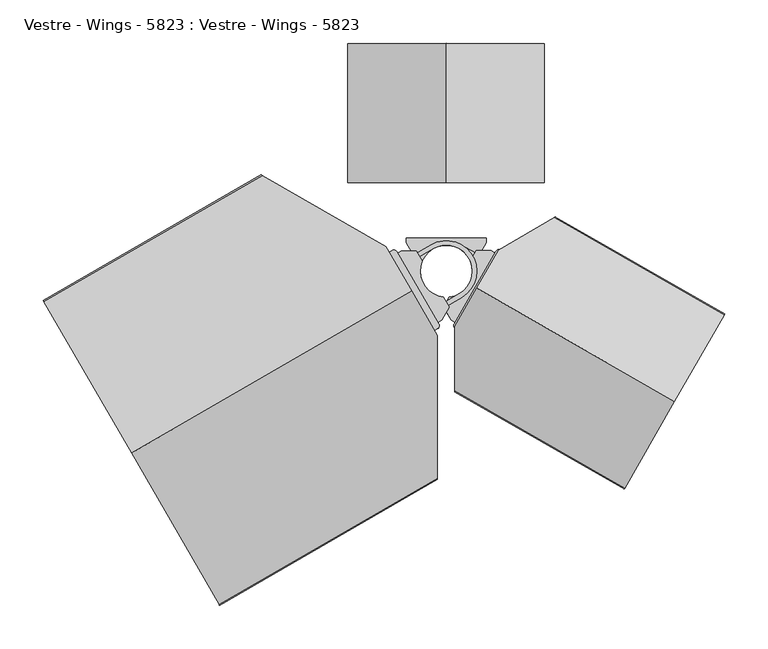
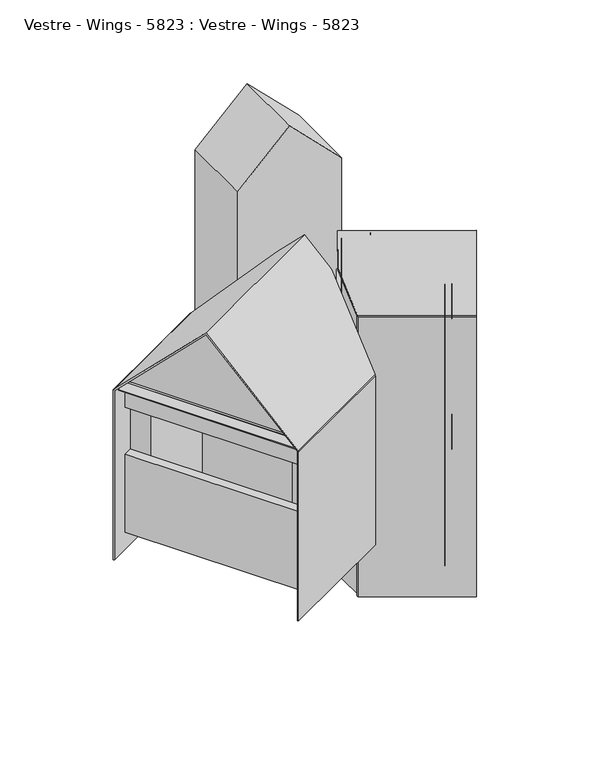
"""IFC4 building model written with IfcOpenShell, lengths in millimetres: furniture geometry, Vestre - Wings - 5823 : Vestre - Wings - 5823."""

from ifc_helpers import new_model, si_unit, point, frame, frame_2d, origin, origin_2d, place, context, project, spatial, polyline, circle_curve, ellipse_curve, trimmed, segment, composite_curve, outline, extrude, faceted_brep, source, transform, mapped, element, save
from ifc_brep_helpers import plane_surface, cylinder_surface, revolved_surface, advanced_brep


def vestre_wings_5823_vestre_wings_5823_9c1fa232(model_context):
    return source(origin(), model_context, "Body", "SolidModel", [
        extrude(outline(composite_curve([segment(polyline([(3.2987805, -41.4129271), (-5.3732925, -56.338383), (-9.6955074, -58.8520374), (-55.9467473, 20.6767172), (-51.6245323, 23.1903716), (-34.3633157, 23.3468417), (-27.6098764, 11.7343396)]), True, "CONTINUOUS"), segment(trimmed(circle_curve(origin_2d(), 30.0), [point((-27.6098764, 11.7343396))], [point((-3.4546589, -29.800425))], True, "CARTESIAN"), True, "CONTINUOUS"), segment(polyline([(-3.4546589, -29.800425), (3.2987805, -41.4129271)]), True, "CONTINUOUS")], self_intersect=False)), frame((0.0, 0.0, 2354.5), z_axis=(0.0, 0.0, 1.0), x_axis=(1.0, 0.0, 0.0)), (0.0, 0.0, 1.0), 16.0),
        extrude(outline(composite_curve([segment(polyline([(-15.0819261, 25.9332895), (-47.9030534, 6.8456295), (-50.4167077, 11.1678444), (-17.5955804, 30.2555045)]), True, "CONTINUOUS"), segment(trimmed(circle_curve(origin_2d(), 35.0), [point((-17.5955804, 30.2555045))], [point((17.5955804, -30.2555045))], False, "CARTESIAN"), True, "CONTINUOUS"), segment(polyline([(17.5955804, -30.2555045), (-15.2255469, -49.3431645), (-17.7392013, -45.0209496), (15.0819261, -25.9332895)]), True, "CONTINUOUS"), segment(trimmed(circle_curve(origin_2d(), 30.0), [point((15.0819261, -25.9332895))], [point((-15.0819261, 25.9332895))], True, "CARTESIAN"), True, "CONTINUOUS")], self_intersect=False)), frame((0.0, 0.0, 2358.4995703), z_axis=(0.0, 0.0, 1.0), x_axis=(1.0, 0.0, 0.0)), (0.0, 0.0, 1.0), 7.9898167),
        extrude(outline(composite_curve([segment(polyline([(-56.952209, 22.4056032), (-8.6900456, -60.5809233)]), True, "CONTINUOUS"), segment(trimmed(circle_curve(frame_2d((-12.1478176, -62.5918468)), 4.0), [point((-8.6900456, -60.5809233))], [point((-10.1368941, -66.0496188))], False, "CARTESIAN"), True, "CONTINUOUS"), segment(polyline([(-10.1368941, -66.0496188), (-14.6925794, -68.6990516), (-66.9765897, 21.2030188), (-62.4209044, 23.8524517)]), True, "CONTINUOUS"), segment(trimmed(circle_curve(frame_2d((-60.4099809, 20.3946797)), 4.0), [point((-62.4209044, 23.8524517))], [point((-56.952209, 22.4056032))], False, "CARTESIAN"), True, "CONTINUOUS")], self_intersect=False)), frame((0.0, 0.0, 2337.5), z_axis=(0.0, 0.0, 1.0), x_axis=(1.0, 0.0, 0.0)), (0.0, 0.0, 1.0), 60.0),
        extrude(outline(composite_curve([segment(polyline([(3.2987805, -41.4129271), (-5.3732925, -56.338383), (-9.6955074, -58.8520374), (-55.9467473, 20.6767172), (-51.6245323, 23.1903716), (-34.3633157, 23.3468417), (-27.6098764, 11.7343396)]), True, "CONTINUOUS"), segment(trimmed(circle_curve(origin_2d(), 30.0), [point((-27.6098764, 11.7343396))], [point((-3.4546589, -29.800425))], True, "CARTESIAN"), True, "CONTINUOUS"), segment(polyline([(-3.4546589, -29.800425), (3.2987805, -41.4129271)]), True, "CONTINUOUS")], self_intersect=False)), frame((0.0, 0.0, 2709.5), z_axis=(0.0, 0.0, 1.0), x_axis=(1.0, 0.0, 0.0)), (0.0, 0.0, 1.0), 16.0),
        extrude(outline(composite_curve([segment(polyline([(-15.0819261, 25.9332895), (-47.9030534, 6.8456295), (-50.4167077, 11.1678444), (-17.5955804, 30.2555045)]), True, "CONTINUOUS"), segment(trimmed(circle_curve(origin_2d(), 35.0), [point((-17.5955804, 30.2555045))], [point((17.5955804, -30.2555045))], False, "CARTESIAN"), True, "CONTINUOUS"), segment(polyline([(17.5955804, -30.2555045), (-15.2255469, -49.3431645), (-17.7392013, -45.0209496), (15.0819261, -25.9332895)]), True, "CONTINUOUS"), segment(trimmed(circle_curve(origin_2d(), 30.0), [point((15.0819261, -25.9332895))], [point((-15.0819261, 25.9332895))], True, "CARTESIAN"), True, "CONTINUOUS")], self_intersect=False)), frame((0.0, 0.0, 2713.4995703), z_axis=(0.0, 0.0, 1.0), x_axis=(1.0, 0.0, 0.0)), (0.0, 0.0, 1.0), 7.9898167),
        extrude(outline(composite_curve([segment(polyline([(-56.952209, 22.4056032), (-8.6900456, -60.5809233)]), True, "CONTINUOUS"), segment(trimmed(circle_curve(frame_2d((-12.1478176, -62.5918468)), 4.0), [point((-8.6900456, -60.5809233))], [point((-10.1368941, -66.0496188))], False, "CARTESIAN"), True, "CONTINUOUS"), segment(polyline([(-10.1368941, -66.0496188), (-14.6925794, -68.6990516), (-66.9765897, 21.2030188), (-62.4209044, 23.8524517)]), True, "CONTINUOUS"), segment(trimmed(circle_curve(frame_2d((-60.4099809, 20.3946797)), 4.0), [point((-62.4209044, 23.8524517))], [point((-56.952209, 22.4056032))], False, "CARTESIAN"), True, "CONTINUOUS")], self_intersect=False)), frame((0.0, 0.0, 2677.5), z_axis=(0.0, 0.0, 1.0), x_axis=(1.0, 0.0, 0.0)), (0.0, 0.0, 1.0), 60.0),
        extrude(outline(composite_curve([segment(polyline([(2.0, -1e-07), (1.9999999, -20.0000001), (6.1732691, -31.4659629), (4.2938839, -32.1500032), (0.1809221, -20.8497336)]), True, "CONTINUOUS"), segment(trimmed(circle_curve(frame_2d((3.0, -19.8236731)), 3.0), [point((0.1809221, -20.8497336))], [point((0.0, -19.8236731))], False, "CARTESIAN"), True, "CONTINUOUS"), segment(polyline([(0.0, -19.8236731), (0.0, 0.0), (2.0, -1e-07)]), True, "CONTINUOUS")], self_intersect=False)), frame((-249.1510246, -374.2094505, 2713.0396042), z_axis=(-0.4999999999999998, 0.8660254037844387, 0.0), x_axis=(0.2961981327260158, 0.17101007166282964, -0.9396926207859119)), (0.0, 0.0, 1.0), 398.8082246),
        faceted_brep([(-223.8406901, 100.9075496, 2720.0006219), (-124.1386339, -71.7814772, 2919.4047342), (-24.4365778, -244.4705041, 2720.0006219), (-24.4365778, -244.4705041, 2370.0006219), (-223.8406901, 100.9075496, 2370.0006219), (-427.35666, -16.5924504, 2370.0006219), (-227.9525477, -361.9705041, 2370.0006219), (-227.9525477, -361.9705041, 2550.0006219), (-427.35666, -16.5924504, 2550.0006219), (-227.9525477, -361.9705041, 2720.0006219), (-327.6546038, -189.2814772, 2919.4047342), (-427.35666, -16.5924504, 2720.0006219), (-427.35666, -16.5924504, 2658.0006219), (-227.9525477, -361.9705041, 2658.0006219), (-210.6320396, -351.9705041, 2658.0006219), (-210.6320396, -351.9705041, 2550.0006219), (-410.0361519, -6.5924504, 2550.0006219), (-410.0361519, -6.5924504, 2658.0006219), (-232.8817287, -313.4329122, 2658.0006219), (-232.8817287, -313.4329122, 2550.0006219), (-387.8817287, -44.965037, 2550.0006219), (-387.8817287, -44.965037, 2658.0006219), (-64.0067749, -215.9329122, 2698.0006219), (-219.0067749, 52.534963, 2698.0006219), (-219.0067749, 52.534963, 2390.0006219), (-64.0067749, -215.9329122, 2390.0006219), (-232.8817287, -313.4329122, 2390.0006219), (-387.8817287, -44.965037, 2390.0006219), (-387.8817287, -44.965037, 2698.0006219), (-232.8817287, -313.4329122, 2698.0006219)], [[[0, 1, 2, 3, 4]], [[5, 6, 7, 8]], [[9, 10, 11, 12, 13]], [[1, 0, 11, 10]], [[2, 1, 10, 9]], [[3, 2, 9, 13, 14, 15, 7, 6]], [[4, 3, 6, 5]], [[0, 4, 5, 8, 16, 17, 12, 11]], [[15, 14, 18, 19]], [[17, 16, 20, 21]], [[8, 7, 15, 19, 20, 16]], [[13, 12, 17, 21, 18, 14]], [[22, 23, 24, 25]], [[26, 27, 20, 19]], [[28, 29, 18, 21]], [[22, 25, 26, 19, 18, 29]], [[25, 24, 27, 26]], [[24, 23, 28, 21, 20, 27]], [[23, 22, 29, 28]]]),
        advanced_brep(
        [(-39.7895357, -23.0825026, 2923.6473748), (-10.3012702, -74.1576766, 2864.6708439), (-10.3012702, -74.1576766, 2860.4282032), (-39.7895357, -23.0825026, 2919.4047342), (-69.373067, 28.1576766, 2860.2376715), (-69.373067, 28.1576766, 2864.4803122), (-361.9509859, -209.0825026, 2923.6473748), (-462.5672556, -34.8100114, 2722.4148354), (-463.153042, -33.7953996, 2719.5864083), (-463.153042, -33.7953996, 2330.0006219), (-461.653042, -36.3934758, 2330.0006219), (-461.653042, -36.3934758, 2720.0006219), (-361.9509859, -209.0825026, 2919.4047342), (-262.2489297, -381.7715295, 2720.0006219), (-262.2489297, -381.7715295, 2330.0006219), (-260.7489297, -384.3696057, 2330.0006219), (-260.7489297, -384.3696057, 2719.5864083), (-261.3347162, -383.3549938, 2722.4148354), (-10.3012702, -238.4207662, 2722.4148354), (-10.3012702, -239.7735821, 2719.5864083), (-10.3012702, -239.7735821, 2330.0006219), (-10.3012702, -236.3094805, 2330.0006219), (-10.3012702, -236.3094805, 2720.0006219), (-209.6101166, 109.123575, 2720.0006219), (-209.6101166, 109.123575, 2330.0006219), (-212.6101166, 110.8556258, 2330.0006219), (-212.6101166, 110.8556258, 2719.5864083), (-211.4385438, 110.1792179, 2722.4148354)],
        [
            (0, 1),
            (1, 2),
            (2, 3),
            (3, 4),
            (4, 5),
            (5, 0),
            (6, 7),
            (7, 8, circle_curve(frame((-461.153042, -37.2595012, 2719.5864083), z_axis=(-0.8660254037844397, -0.4999999999999982, 0.0), x_axis=(0.4999999999999982, -0.8660254037844397, 0.0)), 4.0)),
            (8, 9),
            (9, 10),
            (10, 11),
            (11, 12),
            (12, 13),
            (13, 14),
            (14, 15),
            (15, 16),
            (16, 17, circle_curve(frame((-262.7489297, -380.9055041, 2719.5864083), z_axis=(-0.8660254037844397, -0.4999999999999982, 0.0), x_axis=(0.4999999999999982, -0.8660254037844397, 0.0)), 4.0)),
            (17, 6),
            (17, 18),
            (18, 1),
            (0, 6),
            (16, 19),
            (19, 18, ellipse_curve(frame((-10.3012702, -235.1547799, 2719.5864083), z_axis=(-1.0, 0.0, 0.0), x_axis=(0.0, 1.0, 0.0)), 4.6188022, 4.0)),
            (15, 20),
            (20, 19),
            (14, 21),
            (21, 20),
            (13, 22),
            (22, 21),
            (12, 3),
            (2, 22),
            (11, 23),
            (23, 4),
            (10, 24),
            (24, 23),
            (9, 25),
            (25, 24),
            (8, 26),
            (26, 25),
            (7, 27),
            (27, 26, ellipse_curve(frame((-208.6101166, 108.5462248, 2719.5864083), z_axis=(-0.5000000000000036, -0.8660254037844366, 0.0), x_axis=(0.8660254037844367, -0.5000000000000036, 0.0)), 4.6188022, 4.0)),
            (5, 27),
        ],
        [
            plane_surface(frame((60.8267341, -197.3549938, 2722.4148354), z_axis=(0.8660254037844399, 0.4999999999999982, 0.0), x_axis=(0.3535533905932713, -0.6123724356957932, -0.70710678118655))),
            plane_surface(frame((-261.3347162, -383.3549938, 2722.4148354), z_axis=(-0.8660254037844399, -0.4999999999999982, 0.0), x_axis=(-0.3535533905932713, 0.6123724356957932, 0.70710678118655))),
            plane_surface(frame((-39.7895357, -23.0825026, 2923.6473748), z_axis=(0.3535533905932737, -0.6123724356957975, 0.7071067811865451), x_axis=(-0.8660254037844397, -0.4999999999999981, 0.0))),
            cylinder_surface(frame((-262.7489297, -380.9055041, 2719.5864083), z_axis=(0.8660254037844397, 0.4999999999999982, 0.0), x_axis=(0.4999999999999982, -0.8660254037844397, 0.0)), 4.0),
            plane_surface(frame((61.4125205, -198.3696057, 2719.5864083), z_axis=(0.49999999999999817, -0.8660254037844397, 0.0), x_axis=(-0.8660254037844397, -0.49999999999999817, 0.0))),
            plane_surface(frame((61.4125205, -198.3696057, 2330.0006219), z_axis=(0.0, 0.0, -1.0), x_axis=(-0.8660254037844397, -0.4999999999999981, 0.0))),
            plane_surface(frame((59.9125205, -195.7715295, 2330.0006219), z_axis=(-0.49999999999999817, 0.8660254037844397, 0.0), x_axis=(-0.8660254037844397, -0.49999999999999817, 0.0))),
            plane_surface(frame((59.9125205, -195.7715295, 2720.0006219), z_axis=(-0.35355339059327395, 0.6123724356957977, -0.7071067811865449), x_axis=(-0.8660254037844397, -0.4999999999999983, 0.0))),
            plane_surface(frame((-39.7895357, -23.0825026, 2919.4047342), z_axis=(0.35355339059327456, -0.6123724356957989, -0.7071067811865434), x_axis=(-0.8660254037844397, -0.49999999999999817, 0.0))),
            plane_surface(frame((-139.4915918, 149.6065242, 2720.0006219), z_axis=(0.49999999999999817, -0.8660254037844397, 0.0), x_axis=(-0.8660254037844397, -0.49999999999999817, 0.0))),
            plane_surface(frame((-139.4915918, 149.6065242, 2330.0006219), z_axis=(0.0, 0.0, -1.0), x_axis=(-0.8660254037844397, -0.4999999999999981, 0.0))),
            plane_surface(frame((-140.9915918, 152.2046004, 2330.0006219), z_axis=(-0.4999999999999981, 0.8660254037844397, 0.0), x_axis=(-0.8660254037844397, -0.4999999999999981, 0.0))),
            cylinder_surface(frame((-461.153042, -37.2595012, 2719.5864083), z_axis=(0.8660254037844397, 0.4999999999999982, 0.0), x_axis=(0.4999999999999982, -0.8660254037844397, 0.0)), 4.0),
            plane_surface(frame((-140.4058054, 151.1899886, 2722.4148354), z_axis=(-0.35355339059327456, 0.6123724356957989, 0.7071067811865435), x_axis=(-0.8660254037844397, -0.49999999999999817, 0.0))),
            plane_surface(frame((-232.4269212, 122.2968633, 2932.7909344), z_axis=(0.5000000000000036, 0.8660254037844366, 0.0), x_axis=(0.0, 0.0, -1.0))),
            plane_surface(frame((-10.3012702, -74.1576766, 2932.7909344), z_axis=(1.0, 0.0, 0.0), x_axis=(0.0, 0.0, -1.0))),
        ],
        [
            (0, [[1, 2, 3, 4, 5, 6]]),
            (1, [[7, 8, 9, 10, 11, 12, 13, 14, 15, 16, 17, 18]]),
            (2, [[-18, 19, 20, -1, 21]]),
            (3, [[-17, 22, 23, -19]]),
            (4, [[-16, 24, 25, -22]]),
            (5, [[-15, 26, 27, -24]]),
            (6, [[-14, 28, 29, -26]]),
            (7, [[-13, 30, -3, 31, -28]]),
            (8, [[-12, 32, 33, -4, -30]]),
            (9, [[-11, 34, 35, -32]]),
            (10, [[-10, 36, 37, -34]]),
            (11, [[-9, 38, 39, -36]]),
            (12, [[-8, 40, 41, -38]]),
            (13, [[-7, -21, -6, 42, -40]]),
            (14, [[-5, -33, -35, -37, -39, -41, -42]]),
            (15, [[-2, -20, -23, -25, -27, -29, -31]]),
        ],
    ),
        faceted_brep([(-69.2060043, 19.8683157, 2867.5), (-17.3012702, -70.033321, 2867.5), (-14.703194, -68.533321, 2867.5), (-66.6079281, 21.3683157, 2867.5), (-209.6101166, 105.6594734, 2332.5), (-220.8684469, 99.1594734, 2332.5), (-222.3684469, 101.7575496, 2332.5), (-209.6101166, 109.123575, 2332.5), (-71.1051178, 29.1576766, 2332.5), (-10.3012702, -76.1576766, 2332.5), (-10.3012702, -236.3094805, 2332.5), (-22.9643346, -243.6205041, 2332.5), (-24.5596004, -240.8574226, 2332.5), (-13.3012702, -234.3574226, 2332.5), (-13.3012702, -76.9615242, 2332.5), (-73.3012702, 26.9615242, 2332.5), (-73.3012702, 26.9615242, 2859.3094683), (-209.6101166, 105.6594734, 2723.0006219), (-13.3012702, -76.9615242, 2859.5), (-13.3012702, -234.3574226, 2723.1911535), (-24.5596004, -240.8574226, 2723.1911535), (-22.9643346, -243.6205041, 2720.0006219), (-10.3012702, -236.3094805, 2720.0006219), (-10.3012702, -76.1576766, 2858.6961524), (-71.1051178, 29.1576766, 2858.5056207), (-209.6101166, 109.123575, 2720.0006219), (-222.3684469, 101.7575496, 2720.0006219), (-220.8684469, 99.1594734, 2723.0006219)], [[[0, 1, 2, 3]], [[4, 5, 6, 7, 8, 9, 10, 11, 12, 13, 14, 15]], [[4, 15, 16, 17]], [[15, 14, 18, 1, 0, 16]], [[14, 13, 19, 18]], [[13, 12, 20, 19]], [[12, 11, 21, 20]], [[11, 10, 22, 21]], [[10, 9, 23, 22]], [[9, 8, 24, 3, 2, 23]], [[8, 7, 25, 24]], [[7, 6, 26, 25]], [[6, 5, 27, 26]], [[5, 4, 17, 27]], [[2, 1, 18, 19, 20, 21, 22, 23]], [[0, 3, 24, 25, 26, 27, 17, 16]]]),
        advanced_brep(
        [(34.8269699, -19.6759588, 2904.8797257), (60.127587, 24.4671692, 2854.0000934), (60.127587, 24.4671692, 2849.7574528), (34.8269699, -19.6759588, 2900.637085), (9.5263527, -63.8190868, 2849.7574528), (9.5263527, -63.8190868, 2854.0000934), (262.1379591, -149.9591663, 2904.8797257), (204.9697314, -249.7031522, 2789.9142136), (204.3871502, -250.7196079, 2787.0857864), (204.3871502, -250.7196079, 2142.5), (205.8789427, -248.1168103, 2142.5), (205.8789427, -248.1168103, 2787.5), (262.1379591, -149.9591663, 2900.637085), (318.3969756, -51.8015224, 2787.5), (318.3969756, -51.8015224, 2142.5), (319.8887681, -49.1987248, 2142.5), (319.8887681, -49.1987248, 2787.0857864), (319.3061869, -50.2151805, 2789.9142136), (124.0963678, 61.6692534, 2789.9142136), (125.2658, 62.3493557, 2787.0857864), (125.2658, 62.3493557, 2142.5), (122.2712817, 60.6078449, 2142.5), (122.2712817, 60.6078449, 2787.5), (9.7532487, -135.707443, 2787.5), (9.7532487, -135.707443, 2142.5), (9.7641821, -139.1715273, 2142.5), (9.7641821, -139.1715273, 2787.0857864), (9.7599124, -137.8187183, 2789.9142136)],
        [
            (0, 1),
            (1, 2),
            (2, 3),
            (3, 4),
            (4, 5),
            (5, 0),
            (6, 7),
            (7, 8, circle_curve(frame((206.3762068, -247.2492111, 2787.0857864), z_axis=(0.867599195713286, -0.49726415072641134, 0.0), x_axis=(0.49726415072641134, 0.867599195713286, 0.0)), 4.0)),
            (8, 9),
            (9, 10),
            (10, 11),
            (11, 12),
            (12, 13),
            (13, 14),
            (14, 15),
            (15, 16),
            (16, 17, circle_curve(frame((317.8997115, -52.6691216, 2787.0857864), z_axis=(0.867599195713286, -0.49726415072641134, 0.0), x_axis=(0.49726415072641134, 0.867599195713286, 0.0)), 4.0)),
            (17, 6),
            (17, 18),
            (18, 1),
            (0, 6),
            (16, 19),
            (19, 18, ellipse_curve(frame((121.2731089, 60.0273413, 2787.0857864), z_axis=(0.5027308684274442, -0.8644429847770112, 0.0), x_axis=(-0.864442984777011, -0.5027308684274446, 0.0)), 4.6188022, 4.0)),
            (15, 20),
            (20, 19),
            (14, 21),
            (21, 20),
            (13, 22),
            (22, 21),
            (12, 3),
            (2, 22),
            (11, 23),
            (23, 4),
            (10, 24),
            (24, 23),
            (9, 25),
            (25, 24),
            (8, 26),
            (26, 25),
            (7, 27),
            (27, 26, ellipse_curve(frame((9.7496042, -134.5527482, 2787.0857864), z_axis=(0.9999950191538585, 0.0031562109362807777, 0.0), x_axis=(-0.0031562109362805795, 0.9999950191538586, 0.0)), 4.6188022, 4.0)),
            (5, 27),
        ],
        [
            plane_surface(frame((91.9951976, 80.068027, 2789.9142136), z_axis=(-0.8675991957132861, 0.4972641507264114, 0.0), x_axis=(0.3516188530196138, 0.6134852746408572, -0.7071067811865499))),
            plane_surface(frame((319.3061869, -50.2151805, 2789.9142136), z_axis=(0.8675991957132861, -0.4972641507264114, 0.0), x_axis=(-0.3516188530196138, -0.6134852746408572, 0.7071067811865499))),
            plane_surface(frame((34.8269699, -19.6759588, 2904.8797257), z_axis=(0.3516188530196161, 0.6134852746408613, 0.7071067811865451), x_axis=(0.8675991957132861, -0.49726415072641134, 0.0))),
            cylinder_surface(frame((317.8997115, -52.6691216, 2787.0857864), z_axis=(-0.867599195713286, 0.49726415072641134, 0.0), x_axis=(0.49726415072641134, 0.867599195713286, 0.0)), 4.0),
            plane_surface(frame((92.5777788, 81.0844827, 2787.0857864), z_axis=(0.49726415072641145, 0.867599195713286, 0.0), x_axis=(0.867599195713286, -0.49726415072641145, 0.0))),
            plane_surface(frame((92.5777788, 81.0844827, 2142.5), z_axis=(0.0, 0.0, -1.0000000000000002), x_axis=(0.8675991957132861, -0.49726415072641134, 0.0))),
            plane_surface(frame((91.0859863, 78.4816851, 2142.5), z_axis=(-0.49726415072641134, -0.8675991957132861, 0.0), x_axis=(0.8675991957132861, -0.49726415072641134, 0.0))),
            plane_surface(frame((91.0859863, 78.4816851, 2787.5), z_axis=(-0.35161885301961576, -0.6134852746408606, -0.707106781186546), x_axis=(0.867599195713286, -0.4972641507264114, 0.0))),
            plane_surface(frame((34.8269699, -19.6759588, 2900.637085), z_axis=(0.3516188530196162, 0.6134852746408614, -0.7071067811865451), x_axis=(0.8675991957132861, -0.4972641507264114, 0.0))),
            plane_surface(frame((-21.4320466, -117.8336028, 2787.5), z_axis=(0.4972641507264111, 0.8675991957132863, 0.0), x_axis=(0.8675991957132863, -0.4972641507264111, 0.0))),
            plane_surface(frame((-21.4320466, -117.8336028, 2142.5), z_axis=(0.0, 0.0, -1.0), x_axis=(0.867599195713286, -0.49726415072641145, 0.0))),
            plane_surface(frame((-22.9238391, -120.4364004, 2142.5), z_axis=(-0.49726415072641134, -0.867599195713286, 0.0), x_axis=(0.867599195713286, -0.49726415072641134, 0.0))),
            cylinder_surface(frame((206.3762068, -247.2492111, 2787.0857864), z_axis=(-0.867599195713286, 0.49726415072641134, 0.0), x_axis=(0.49726415072641134, 0.867599195713286, 0.0)), 4.0),
            plane_surface(frame((-22.3412579, -119.4199447, 2789.9142136), z_axis=(-0.3516188530196163, -0.6134852746408617, 0.7071067811865449), x_axis=(0.8675991957132861, -0.4972641507264113, 0.0))),
            plane_surface(frame((60.127587, 24.4671692, 2927.6480519), z_axis=(-0.5027308684274442, 0.8644429847770112, 0.0), x_axis=(0.0, 0.0, -1.0))),
            plane_surface(frame((9.7747146, -142.5085858, 2927.6480519), z_axis=(-0.9999950191538585, -0.0031562109362807777, 0.0), x_axis=(0.0, 0.0, -1.0))),
        ],
        [
            (0, [[1, 2, 3, 4, 5, 6]]),
            (1, [[7, 8, 9, 10, 11, 12, 13, 14, 15, 16, 17, 18]]),
            (2, [[-18, 19, 20, -1, 21]]),
            (3, [[-17, 22, 23, -19]]),
            (4, [[-16, 24, 25, -22]]),
            (5, [[-15, 26, 27, -24]]),
            (6, [[-14, 28, 29, -26]]),
            (7, [[-13, 30, -3, 31, -28]]),
            (8, [[-12, 32, 33, -4, -30]]),
            (9, [[-11, 34, 35, -32]]),
            (10, [[-10, 36, 37, -34]]),
            (11, [[-9, 38, 39, -36]]),
            (12, [[-8, 40, 41, -38]]),
            (13, [[-7, -21, -6, 42, -40]]),
            (14, [[-2, -20, -23, -25, -27, -29, -31]]),
            (15, [[-5, -33, -35, -37, -39, -41, -42]]),
        ],
    ),
        advanced_brep(
        [(32.3312963, -148.6480424, 2787.5), (88.5903127, -50.4903985, 2900.637085), (144.8493292, 47.6672455, 2787.5), (144.8493292, 47.6672455, 2182.5), (32.3312963, -148.6480424, 2182.5), (171.1749748, -228.2262442, 2787.5), (171.1749748, -228.2262442, 2182.5), (283.6930078, -31.9109564, 2182.5), (283.6930078, -31.9109564, 2787.5), (227.4339913, -130.0686003, 2900.637085), (218.8689457, -145.0124217, 2432.4878302), (235.7530328, -115.5539933, 2432.4878302), (218.8689457, -145.0124217, 2732.4878302), (235.7530328, -115.5539933, 2732.4878302), (52.405419, -160.1535183, 2787.5), (108.6644355, -61.9958743, 2900.637085), (164.923452, 36.1617696, 2787.5), (201.5169618, -135.0671387, 2432.4878302), (218.4010489, -105.6087102, 2432.4878302), (201.5169618, -135.0671387, 2732.4878302), (218.4010489, -105.6087102, 2732.4878302), (155.5735169, 26.0936932, 2782.1096834), (56.1206868, -147.426146, 2782.1096834), (56.1206868, -147.426146, 2202.5), (155.5735169, 26.0936932, 2202.5), (259.6854204, -33.5780049, 2782.1096834), (259.6854204, -33.5780049, 2202.5), (160.2325903, -207.097844, 2202.5), (160.2325903, -207.097844, 2782.1096834)],
        [
            (0, 1),
            (1, 2),
            (2, 3),
            (3, 4),
            (4, 0),
            (5, 6),
            (6, 7),
            (7, 8),
            (8, 9),
            (9, 5),
            (10, 11, circle_curve(frame((227.3109893, -130.2832075, 2432.4878302), z_axis=(-0.867599195713286, 0.49726415072641134, 0.0), x_axis=(0.49726415072641134, 0.867599195713286, 0.0)), 16.97698)),
            (11, 10, circle_curve(frame((227.3109893, -130.2832075, 2432.4878302), z_axis=(-0.867599195713286, 0.49726415072641134, 0.0), x_axis=(0.49726415072641134, 0.867599195713286, 0.0)), 16.97698)),
            (12, 13, circle_curve(frame((227.3109893, -130.2832075, 2732.4878302), z_axis=(-0.867599195713286, 0.49726415072641134, 0.0), x_axis=(0.49726415072641134, 0.867599195713286, 0.0)), 16.97698)),
            (13, 12, circle_curve(frame((227.3109893, -130.2832075, 2732.4878302), z_axis=(-0.867599195713286, 0.49726415072641134, 0.0), x_axis=(0.49726415072641134, 0.867599195713286, 0.0)), 16.97698)),
            (0, 14),
            (14, 5),
            (9, 15),
            (15, 1),
            (8, 16),
            (16, 2),
            (7, 3),
            (6, 4),
            (10, 17),
            (17, 18, circle_curve(frame((209.9590054, -120.3379245, 2432.4878302), z_axis=(-0.867599195713286, 0.49726415072641134, 0.0), x_axis=(0.49726415072641134, 0.867599195713286, 0.0)), 16.97698)),
            (18, 11),
            (18, 17, circle_curve(frame((209.9590054, -120.3379245, 2432.4878302), z_axis=(-0.867599195713286, 0.49726415072641134, 0.0), x_axis=(0.49726415072641134, 0.867599195713286, 0.0)), 16.97698)),
            (12, 19),
            (19, 20, circle_curve(frame((209.9590054, -120.3379245, 2732.4878302), z_axis=(-0.867599195713286, 0.49726415072641134, 0.0), x_axis=(0.49726415072641134, 0.867599195713286, 0.0)), 16.97698)),
            (20, 13),
            (20, 19, circle_curve(frame((209.9590054, -120.3379245, 2732.4878302), z_axis=(-0.867599195713286, 0.49726415072641134, 0.0), x_axis=(0.49726415072641134, 0.867599195713286, 0.0)), 16.97698)),
            (21, 22),
            (22, 23),
            (23, 24),
            (24, 21),
            (25, 26),
            (26, 27),
            (27, 28),
            (28, 25),
            (24, 26),
            (25, 21),
            (23, 27),
            (22, 28),
        ],
        [
            plane_surface(frame((88.5903127, -50.4903985, 2900.637085), z_axis=(-0.8675991957132863, 0.4972641507264114, 0.0), x_axis=(0.3516188530196133, 0.6134852746408563, 0.7071067811865509))),
            plane_surface(frame((227.4339913, -130.0686003, 2900.637085), z_axis=(0.8675991957132863, -0.4972641507264114, 0.0), x_axis=(-0.3516188530196133, -0.6134852746408563, -0.7071067811865509))),
            plane_surface(frame((32.3312963, -148.6480424, 2787.5), z_axis=(-0.35161885301961665, -0.6134852746408622, 0.7071067811865442), x_axis=(0.8675991957132861, -0.49726415072641134, 0.0))),
            plane_surface(frame((88.5903127, -50.4903985, 2900.637085), z_axis=(0.35161885301961654, 0.6134852746408621, 0.7071067811865444), x_axis=(0.8675991957132861, -0.49726415072641134, 0.0))),
            plane_surface(frame((144.8493292, 47.6672455, 2787.5), z_axis=(0.49726415072641145, 0.8675991957132861, 0.0), x_axis=(0.8675991957132861, -0.49726415072641145, 0.0))),
            plane_surface(frame((144.8493292, 47.6672455, 2182.5), z_axis=(0.0, 0.0, -1.0), x_axis=(0.8675991957132863, -0.497264150726411, 0.0))),
            plane_surface(frame((32.3312963, -148.6480424, 2182.5), z_axis=(-0.4972641507264112, -0.8675991957132861, 0.0), x_axis=(0.8675991957132861, -0.4972641507264112, 0.0))),
            revolved_surface(polyline([(218.40104887927515, -105.60871023615965, 2432.4878302), (235.75303285373394, -115.55399328518753, 2432.4878302)]), (274.8805078, -157.547659, 2432.4878302), (-0.867599195713286, 0.49726415072641134, 0.0)),
            revolved_surface(polyline([(218.40104886560005, -105.60871026001914, 2732.4878302), (235.7530328400589, -115.55399330904704, 2732.4878302)]), (0.0, 0.0, 2732.4878302), (-0.867599195713286, 0.49726415072641134, 0.0)),
            plane_surface(frame((155.5735169, 26.0936932, 2782.1096834), z_axis=(0.867599195713286, -0.49726415072641134, 0.0), x_axis=(0.0, 0.0, -1.0))),
            plane_surface(frame((259.6854204, -33.5780049, 2782.1096834), z_axis=(-0.867599195713286, 0.49726415072641134, 0.0), x_axis=(0.0, 0.0, 1.0))),
            plane_surface(frame((155.5735169, 26.0936932, 2782.1096834), z_axis=(-0.49726415072641145, -0.867599195713286, 0.0), x_axis=(0.867599195713286, -0.49726415072641145, 0.0))),
            plane_surface(frame((155.5735169, 26.0936932, 2202.5), z_axis=(0.0, 0.0, 1.0), x_axis=(0.867599195713286, -0.4972641507264114, 0.0))),
            plane_surface(frame((56.1206868, -147.426146, 2202.5), z_axis=(0.49726415072641117, 0.8675991957132861, 0.0), x_axis=(0.8675991957132861, -0.49726415072641117, 0.0))),
            plane_surface(frame((56.1206868, -147.426146, 2782.1096834), z_axis=(0.0, 0.0, -1.0), x_axis=(0.8675991957132861, -0.4972641507264113, 0.0))),
        ],
        [
            (0, [[1, 2, 3, 4, 5]]),
            (1, [[6, 7, 8, 9, 10], [11, 12], [13, 14]]),
            (2, [[-1, 15, 16, -10, 17, 18]]),
            (3, [[-2, -18, -17, -9, 19, 20]]),
            (4, [[-3, -20, -19, -8, 21]]),
            (5, [[-4, -21, -7, 22]]),
            (6, [[-5, -22, -6, -16, -15]]),
            (7, [[-11, 23, 24, 25]]),
            (7, [[-12, -25, 26, -23]]),
            (8, [[-13, 27, 28, 29]]),
            (8, [[-14, -29, 30, -27]]),
            (9, [[31, 32, 33, 34]]),
            (10, [[35, 36, 37, 38], [-24, -26], [-28, -30]]),
            (11, [[-34, 39, -35, 40]]),
            (12, [[-33, 41, -36, -39]]),
            (13, [[-32, 42, -37, -41]]),
            (14, [[-31, -40, -38, -42]]),
        ],
    ),
        faceted_brep([(62.3506902, 14.2688924, 2857.5), (19.4496383, -60.5825081, 2857.5), (22.0524359, -62.0743006, 2857.5), (64.9534878, 12.7770999, 2857.5), (126.5027062, 58.1826055, 2142.5), (143.3744106, 48.5125945, 2142.5), (141.6366141, 45.4805826, 2142.5), (126.0198285, 54.4313373, 2142.5), (70.2322239, 21.987149, 2142.5), (16.5276956, -71.7135641, 2142.5), (16.7313846, -136.249141, 2142.5), (32.3481701, -145.1998958, 2142.5), (30.8563776, -147.8026933, 2142.5), (13.7368662, -137.9906519, 2142.5), (13.5251735, -70.9191892, 2142.5), (68.0291509, 24.176359, 2142.5), (68.0291509, 24.176359, 2846.0805949), (126.5027062, 58.1826055, 2787.5), (13.5251735, -70.9191892, 2845.5858799), (13.7368662, -137.9906519, 2787.5), (30.8563776, -147.8026933, 2787.5), (32.3481701, -145.1998958, 2790.5), (16.7313846, -136.249141, 2790.5), (16.5276956, -71.7135641, 2846.3897275), (70.2322239, 21.987149, 2846.8844425), (126.0198285, 54.4313373, 2790.9947151), (141.6366141, 45.4805826, 2790.9947151), (143.3744106, 48.5125945, 2787.5)], [[[0, 1, 2, 3]], [[4, 5, 6, 7, 8, 9, 10, 11, 12, 13, 14, 15]], [[4, 15, 16, 17]], [[15, 14, 18, 1, 0, 16]], [[14, 13, 19, 18]], [[13, 12, 20, 19]], [[12, 11, 21, 20]], [[11, 10, 22, 21]], [[10, 9, 23, 22]], [[9, 8, 24, 3, 2, 23]], [[8, 7, 25, 24]], [[7, 6, 26, 25]], [[6, 5, 27, 26]], [[5, 4, 17, 27]], [[0, 3, 24, 25, 26, 27, 17, 16]], [[2, 1, 18, 19, 20, 21, 22, 23]]]),
        extrude(outline(composite_curve([segment(polyline([(34.2152567, 23.5632913), (51.4771171, 23.5157837), (55.8151131, 21.029463), (10.0668112, -58.789663), (5.7288153, -56.3033423), (-3.0373002, -41.4329252), (3.642702, -29.7780242)]), True, "CONTINUOUS"), segment(trimmed(circle_curve(origin_2d(), 30.0), [point((3.642702, -29.7780242))], [point((27.5352546, 11.9083902))], True, "CARTESIAN"), True, "CONTINUOUS"), segment(polyline([(27.5352546, 11.9083902), (34.2152567, 23.5632913)]), True, "CONTINUOUS")], self_intersect=False)), frame((0.0, 0.0, 2189.1096834), z_axis=(0.0, 0.0, 1.0), x_axis=(1.0, 0.0, 0.0)), (0.0, 0.0, 1.0), 16.0),
        extrude(outline(composite_curve([segment(polyline([(-14.9179245, -26.0279759), (18.0230377, -44.9080759), (15.5367169, -49.2460719), (-17.4042453, -30.3659718)]), True, "CONTINUOUS"), segment(trimmed(circle_curve(origin_2d(), 35.0), [point((-17.4042453, -30.3659718))], [point((17.4042453, 30.3659718))], False, "CARTESIAN"), True, "CONTINUOUS"), segment(polyline([(17.4042453, 30.3659718), (50.3452075, 11.4858718), (47.8588867, 7.1478759), (14.9179245, 26.0279759)]), True, "CONTINUOUS"), segment(trimmed(circle_curve(origin_2d(), 30.0), [point((14.9179245, 26.0279759))], [point((-14.9179245, -26.0279759))], True, "CARTESIAN"), True, "CONTINUOUS")], self_intersect=False)), frame((0.0, 0.0, 2193.1092537), z_axis=(0.0, 0.0, 1.0), x_axis=(1.0, 0.0, 0.0)), (0.0, 0.0, 1.0), 7.9898167),
        extrude(outline(composite_curve([segment(polyline([(9.0722829, -60.5248614), (56.8096414, 22.7646614)]), True, "CONTINUOUS"), segment(trimmed(circle_curve(frame_2d((60.2800382, 20.7756048)), 4.0), [point((56.8096414, 22.7646614))], [point((62.2690948, 24.2460016))], False, "CARTESIAN"), True, "CONTINUOUS"), segment(polyline([(62.2690948, 24.2460016), (66.5978657, 21.7649682), (14.882394, -68.4653482), (10.5536231, -65.9843148)]), True, "CONTINUOUS"), segment(trimmed(circle_curve(frame_2d((12.5426797, -62.513918)), 4.0), [point((10.5536231, -65.9843148))], [point((9.0722829, -60.5248614))], False, "CARTESIAN"), True, "CONTINUOUS")], self_intersect=False)), frame((0.0, 0.0, 2167.5096834), z_axis=(0.0, 0.0, 1.0), x_axis=(1.0, 0.0, 0.0)), (0.0, 0.0, 1.0), 77.0),
        extrude(outline(composite_curve([segment(polyline([(34.2152567, 23.5632913), (51.4771171, 23.5157837), (55.8151131, 21.029463), (10.0668112, -58.789663), (5.7288153, -56.3033423), (-3.0373002, -41.4329252), (3.642702, -29.7780242)]), True, "CONTINUOUS"), segment(trimmed(circle_curve(origin_2d(), 30.0), [point((3.642702, -29.7780242))], [point((27.5352546, 11.9083902))], True, "CARTESIAN"), True, "CONTINUOUS"), segment(polyline([(27.5352546, 11.9083902), (34.2152567, 23.5632913)]), True, "CONTINUOUS")], self_intersect=False)), frame((0.0, 0.0, 2694.1096834), z_axis=(0.0, 0.0, 1.0), x_axis=(1.0, 0.0, 0.0)), (0.0, 0.0, 1.0), 16.0),
        extrude(outline(composite_curve([segment(polyline([(-14.9179245, -26.0279759), (18.0230377, -44.9080759), (15.5367169, -49.2460719), (-17.4042453, -30.3659718)]), True, "CONTINUOUS"), segment(trimmed(circle_curve(origin_2d(), 35.0), [point((-17.4042453, -30.3659718))], [point((17.4042453, 30.3659718))], False, "CARTESIAN"), True, "CONTINUOUS"), segment(polyline([(17.4042453, 30.3659718), (50.3452075, 11.4858718), (47.8588867, 7.1478759), (14.9179245, 26.0279759)]), True, "CONTINUOUS"), segment(trimmed(circle_curve(origin_2d(), 30.0), [point((14.9179245, 26.0279759))], [point((-14.9179245, -26.0279759))], True, "CARTESIAN"), True, "CONTINUOUS")], self_intersect=False)), frame((0.0, 0.0, 2698.1092537), z_axis=(0.0, 0.0, 1.0), x_axis=(1.0, 0.0, 0.0)), (0.0, 0.0, 1.0), 7.9898167),
        extrude(outline(composite_curve([segment(polyline([(9.0722829, -60.5248614), (56.8096414, 22.7646614)]), True, "CONTINUOUS"), segment(trimmed(circle_curve(frame_2d((60.2800382, 20.7756048)), 4.0), [point((56.8096414, 22.7646614))], [point((62.2690948, 24.2460016))], False, "CARTESIAN"), True, "CONTINUOUS"), segment(polyline([(62.2690948, 24.2460016), (66.8414136, 21.6253788), (15.1259419, -68.6049376), (10.5536231, -65.9843148)]), True, "CONTINUOUS"), segment(trimmed(circle_curve(frame_2d((12.5426797, -62.513918)), 4.0), [point((10.5536231, -65.9843148))], [point((9.0722829, -60.5248614))], False, "CARTESIAN"), True, "CONTINUOUS")], self_intersect=False)), frame((0.0, 0.0, 2685.6096834), z_axis=(0.0, 0.0, 1.0), x_axis=(1.0, 0.0, 0.0)), (0.0, 0.0, 1.0), 96.5005892),
        extrude(outline(composite_curve([segment(polyline([(-2.0000001, 0.0), (0.0, 0.0), (-1e-07, -19.9377121)]), True, "CONTINUOUS"), segment(trimmed(circle_curve(frame_2d((-2.3532521, -19.9377122)), 2.3532521), [point((-1e-07, -19.9377121))], [point((-0.1419185, -20.7425718))], False, "CARTESIAN"), True, "CONTINUOUS"), segment(polyline([(-0.1419185, -20.7425718), (-2.3858314, -26.9076719), (-4.2652167, -26.2236316), (-2.1809222, -20.4970795)]), True, "CONTINUOUS"), segment(trimmed(circle_curve(frame_2d((-5.0, -19.471019)), 3.0), [point((-2.1809222, -20.4970795))], [point((-2.0, -19.4710191))], True, "CARTESIAN"), True, "CONTINUOUS"), segment(polyline([(-2.0, -19.4710191), (-2.0000001, 0.0)]), True, "CONTINUOUS")], self_intersect=False)), frame((188.0739789, -237.911902, 2475.5389824), z_axis=(0.49726415072641134, 0.867599195713286, 0.0), x_axis=(0.29673640126702366, -0.1700743561021244, 0.9396926207859376)), (0.0, 0.0, 1.0), 226.27417),
        extrude(outline(composite_curve([segment(polyline([(279.9077862, -102.606043), (281.9077862, -102.606043), (281.9077862, -122.5437551)]), True, "CONTINUOUS"), segment(trimmed(circle_curve(frame_2d((279.5545341, -122.5437552)), 2.3532521), [point((281.9077862, -122.5437551))], [point((281.7658677, -123.3486148))], False, "CARTESIAN"), True, "CONTINUOUS"), segment(polyline([(281.7658677, -123.3486148), (279.5219548, -129.5137149), (277.6425695, -128.8296746), (279.7268641, -123.1031225)]), True, "CONTINUOUS"), segment(trimmed(circle_curve(frame_2d((276.9077862, -122.077062)), 3.0), [point((279.7268641, -123.1031225))], [point((279.9077862, -122.0770621))], True, "CARTESIAN"), True, "CONTINUOUS"), segment(polyline([(279.9077862, -122.0770621), (279.9077862, -102.606043)]), True, "CONTINUOUS")], self_intersect=False)), frame((188.0739789, -237.911902, 2475.5389824), z_axis=(0.49726415072641134, 0.867599195713286, 0.0), x_axis=(0.29673640126702366, -0.1700743561021244, 0.9396926207859376)), (0.0, 0.0, 1.0), 226.27417),
        advanced_brep(
        [(112.8897275, 101.9679492, 2972.5), (-0.2473575, 101.9679492, 3085.637085), (-113.3844425, 101.9679492, 2972.5), (-113.3844425, 101.9679492, 2367.5), (112.8897275, 101.9679492, 2367.5), (112.8897275, 262.0, 2972.5), (112.8897275, 262.0, 2367.5), (-113.3844425, 262.0, 2367.5), (-113.3844425, 262.0, 2972.5), (-0.2473575, 262.0, 3085.637085), (16.97698, 262.0, 2617.4878302), (-16.97698, 262.0, 2617.4878302), (3.8078776, 262.0, 2764.186492), (-10.1921224, 262.0, 2764.186492), (60.0863213, 262.0, 2761.2021135), (52.0251416, 262.0, 2761.2021135), (41.5117973, 262.0, 2817.1568513), (31.5117973, 262.0, 2817.1568513), (43.5841698, 262.0, 2870.9399785), (29.5841698, 262.0, 2870.9399785), (-47.8703027, 262.0, 2781.2566248), (-55.8556066, 262.0, 2781.2566248), (-2.9768025, 262.0, 2827.4584532), (-16.9768025, 262.0, 2827.4584532), (49.4348658, 262.0, 2909.4515795), (41.4348658, 262.0, 2909.4515795), (-60.6415293, 262.0, 2840.2787888), (-68.6415293, 262.0, 2840.2787888), (-18.7489245, 262.0, 2869.5707091), (-32.8480503, 262.0, 2869.5707091), (9.2046473, 262.0, 2901.563111), (-0.7953527, 262.0, 2901.563111), (-40.3831755, 262.0, 2912.850123), (-50.3831755, 262.0, 2912.850123), (-100.0, 122.0, 2967.1096834), (100.0, 122.0, 2967.1096834), (100.0, 122.0, 2387.5), (-100.0, 122.0, 2387.5), (-100.0, 242.0, 2967.1096834), (-100.0, 242.0, 2387.5), (100.0, 242.0, 2387.5), (100.0, 242.0, 2967.1096834), (-16.97698, 242.0, 2617.4878302), (16.97698, 242.0, 2617.4878302), (-10.1921224, 242.0, 2764.186492), (3.8078776, 242.0, 2764.186492), (52.0251416, 242.0, 2761.2021135), (60.0863213, 242.0, 2761.2021135), (31.5117973, 242.0, 2817.1568513), (41.5117973, 242.0, 2817.1568513), (29.5841698, 242.0, 2870.9399785), (43.5841698, 242.0, 2870.9399785), (-55.8556066, 242.0, 2781.2566248), (-47.8703027, 242.0, 2781.2566248), (-16.9768025, 242.0, 2827.4584532), (-2.9768025, 242.0, 2827.4584532), (41.4348658, 242.0, 2909.4515795), (49.4348658, 242.0, 2909.4515795), (-68.6415293, 242.0, 2840.2787888), (-60.6415293, 242.0, 2840.2787888), (-32.8480503, 242.0, 2869.5707091), (-18.7489245, 242.0, 2869.5707091), (-0.7953527, 242.0, 2901.563111), (9.2046473, 242.0, 2901.563111), (-50.3831755, 242.0, 2912.850123), (-40.3831755, 242.0, 2912.850123)],
        [
            (0, 1),
            (1, 2),
            (2, 3),
            (3, 4),
            (4, 0),
            (5, 6),
            (6, 7),
            (7, 8),
            (8, 9),
            (9, 5),
            (10, 11, circle_curve(frame((0.0, 262.0, 2617.4878302), z_axis=(0.0, -1.0, 0.0), x_axis=(-1.0, 0.0, 0.0)), 16.97698)),
            (11, 10, circle_curve(frame((0.0, 262.0, 2617.4878302), z_axis=(0.0, -1.0, 0.0), x_axis=(-1.0, 0.0, 0.0)), 16.97698)),
            (12, 13, circle_curve(frame((-3.1921224, 262.0, 2764.186492), z_axis=(0.0, -1.0, 0.0), x_axis=(-1.0, 0.0, 0.0)), 7.0)),
            (13, 12, circle_curve(frame((-3.1921224, 262.0, 2764.186492), z_axis=(0.0, -1.0, 0.0), x_axis=(-1.0, 0.0, 0.0)), 7.0)),
            (14, 15, circle_curve(frame((56.0557314, 262.0, 2761.2021135), z_axis=(0.0, -1.0, 0.0), x_axis=(-1.0, 0.0, 0.0)), 4.0305899)),
            (15, 14, circle_curve(frame((56.0557314, 262.0, 2761.2021135), z_axis=(0.0, -1.0, 0.0), x_axis=(-1.0, 0.0, 0.0)), 4.0305899)),
            (16, 17, circle_curve(frame((36.5117973, 262.0, 2817.1568513), z_axis=(0.0, -1.0, 0.0), x_axis=(-1.0, 0.0, 0.0)), 5.0)),
            (17, 16, circle_curve(frame((36.5117973, 262.0, 2817.1568513), z_axis=(0.0, -1.0, 0.0), x_axis=(-1.0, 0.0, 0.0)), 5.0)),
            (18, 19, circle_curve(frame((36.5841698, 262.0, 2870.9399785), z_axis=(0.0, -1.0, 0.0), x_axis=(-1.0, 0.0, 0.0)), 7.0)),
            (19, 18, circle_curve(frame((36.5841698, 262.0, 2870.9399785), z_axis=(0.0, -1.0, 0.0), x_axis=(-1.0, 0.0, 0.0)), 7.0)),
            (20, 21, circle_curve(frame((-51.8629546, 262.0, 2781.2566248), z_axis=(0.0, -1.0, 0.0), x_axis=(-1.0, 0.0, 0.0)), 3.992652)),
            (21, 20, circle_curve(frame((-51.8629546, 262.0, 2781.2566248), z_axis=(0.0, -1.0, 0.0), x_axis=(-1.0, 0.0, 0.0)), 3.992652)),
            (22, 23, circle_curve(frame((-9.9768025, 262.0, 2827.4584532), z_axis=(0.0, -1.0, 0.0), x_axis=(-1.0, 0.0, 0.0)), 7.0)),
            (23, 22, circle_curve(frame((-9.9768025, 262.0, 2827.4584532), z_axis=(0.0, -1.0, 0.0), x_axis=(-1.0, 0.0, 0.0)), 7.0)),
            (24, 25, circle_curve(frame((45.4348658, 262.0, 2909.4515795), z_axis=(0.0, -1.0, 0.0), x_axis=(-1.0, 0.0, 0.0)), 4.0)),
            (25, 24, circle_curve(frame((45.4348658, 262.0, 2909.4515795), z_axis=(0.0, -1.0, 0.0), x_axis=(-1.0, 0.0, 0.0)), 4.0)),
            (26, 27, circle_curve(frame((-64.6415293, 262.0, 2840.2787888), z_axis=(0.0, -1.0, 0.0), x_axis=(-1.0, 0.0, 0.0)), 4.0)),
            (27, 26, circle_curve(frame((-64.6415293, 262.0, 2840.2787888), z_axis=(0.0, -1.0, 0.0), x_axis=(-1.0, 0.0, 0.0)), 4.0)),
            (28, 29, circle_curve(frame((-25.7984874, 262.0, 2869.5707091), z_axis=(0.0, -1.0, 0.0), x_axis=(-1.0, 0.0, 0.0)), 7.0495629)),
            (29, 28, circle_curve(frame((-25.7984874, 262.0, 2869.5707091), z_axis=(0.0, -1.0, 0.0), x_axis=(-1.0, 0.0, 0.0)), 7.0495629)),
            (30, 31, circle_curve(frame((4.2046473, 262.0, 2901.563111), z_axis=(0.0, -1.0, 0.0), x_axis=(-1.0, 0.0, 0.0)), 5.0)),
            (31, 30, circle_curve(frame((4.2046473, 262.0, 2901.563111), z_axis=(0.0, -1.0, 0.0), x_axis=(-1.0, 0.0, 0.0)), 5.0)),
            (32, 33, circle_curve(frame((-45.3831755, 262.0, 2912.850123), z_axis=(0.0, -1.0, 0.0), x_axis=(-1.0, 0.0, 0.0)), 5.0)),
            (33, 32, circle_curve(frame((-45.3831755, 262.0, 2912.850123), z_axis=(0.0, -1.0, 0.0), x_axis=(-1.0, 0.0, 0.0)), 5.0)),
            (0, 5),
            (9, 1),
            (8, 2),
            (7, 3),
            (6, 4),
            (34, 35),
            (35, 36),
            (36, 37),
            (37, 34),
            (38, 39),
            (39, 40),
            (40, 41),
            (41, 38),
            (42, 43, circle_curve(frame((0.0, 242.0, 2617.4878302), z_axis=(0.0, 1.0, 0.0), x_axis=(-1.0, 0.0, 0.0)), 16.97698)),
            (43, 42, circle_curve(frame((0.0, 242.0, 2617.4878302), z_axis=(0.0, 1.0, 0.0), x_axis=(-1.0, 0.0, 0.0)), 16.97698)),
            (44, 45, circle_curve(frame((-3.1921224, 242.0, 2764.186492), z_axis=(0.0, 1.0, 0.0), x_axis=(-1.0, 0.0, 0.0)), 7.0)),
            (45, 44, circle_curve(frame((-3.1921224, 242.0, 2764.186492), z_axis=(0.0, 1.0, 0.0), x_axis=(-1.0, 0.0, 0.0)), 7.0)),
            (46, 47, circle_curve(frame((56.0557314, 242.0, 2761.2021135), z_axis=(0.0, 1.0, 0.0), x_axis=(-1.0, 0.0, 0.0)), 4.0305899)),
            (47, 46, circle_curve(frame((56.0557314, 242.0, 2761.2021135), z_axis=(0.0, 1.0, 0.0), x_axis=(-1.0, 0.0, 0.0)), 4.0305899)),
            (48, 49, circle_curve(frame((36.5117973, 242.0, 2817.1568513), z_axis=(0.0, 1.0, 0.0), x_axis=(-1.0, 0.0, 0.0)), 5.0)),
            (49, 48, circle_curve(frame((36.5117973, 242.0, 2817.1568513), z_axis=(0.0, 1.0, 0.0), x_axis=(-1.0, 0.0, 0.0)), 5.0)),
            (50, 51, circle_curve(frame((36.5841698, 242.0, 2870.9399785), z_axis=(0.0, 1.0, 0.0), x_axis=(-1.0, 0.0, 0.0)), 7.0)),
            (51, 50, circle_curve(frame((36.5841698, 242.0, 2870.9399785), z_axis=(0.0, 1.0, 0.0), x_axis=(-1.0, 0.0, 0.0)), 7.0)),
            (52, 53, circle_curve(frame((-51.8629546, 242.0, 2781.2566248), z_axis=(0.0, 1.0, 0.0), x_axis=(-1.0, 0.0, 0.0)), 3.992652)),
            (53, 52, circle_curve(frame((-51.8629546, 242.0, 2781.2566248), z_axis=(0.0, 1.0, 0.0), x_axis=(-1.0, 0.0, 0.0)), 3.992652)),
            (54, 55, circle_curve(frame((-9.9768025, 242.0, 2827.4584532), z_axis=(0.0, 1.0, 0.0), x_axis=(-1.0, 0.0, 0.0)), 7.0)),
            (55, 54, circle_curve(frame((-9.9768025, 242.0, 2827.4584532), z_axis=(0.0, 1.0, 0.0), x_axis=(-1.0, 0.0, 0.0)), 7.0)),
            (56, 57, circle_curve(frame((45.4348658, 242.0, 2909.4515795), z_axis=(0.0, 1.0, 0.0), x_axis=(-1.0, 0.0, 0.0)), 4.0)),
            (57, 56, circle_curve(frame((45.4348658, 242.0, 2909.4515795), z_axis=(0.0, 1.0, 0.0), x_axis=(-1.0, 0.0, 0.0)), 4.0)),
            (58, 59, circle_curve(frame((-64.6415293, 242.0, 2840.2787888), z_axis=(0.0, 1.0, 0.0), x_axis=(-1.0, 0.0, 0.0)), 4.0)),
            (59, 58, circle_curve(frame((-64.6415293, 242.0, 2840.2787888), z_axis=(0.0, 1.0, 0.0), x_axis=(-1.0, 0.0, 0.0)), 4.0)),
            (60, 61, circle_curve(frame((-25.7984874, 242.0, 2869.5707091), z_axis=(0.0, 1.0, 0.0), x_axis=(-1.0, 0.0, 0.0)), 7.0495629)),
            (61, 60, circle_curve(frame((-25.7984874, 242.0, 2869.5707091), z_axis=(0.0, 1.0, 0.0), x_axis=(-1.0, 0.0, 0.0)), 7.0495629)),
            (62, 63, circle_curve(frame((4.2046473, 242.0, 2901.563111), z_axis=(0.0, 1.0, 0.0), x_axis=(-1.0, 0.0, 0.0)), 5.0)),
            (63, 62, circle_curve(frame((4.2046473, 242.0, 2901.563111), z_axis=(0.0, 1.0, 0.0), x_axis=(-1.0, 0.0, 0.0)), 5.0)),
            (64, 65, circle_curve(frame((-45.3831755, 242.0, 2912.850123), z_axis=(0.0, 1.0, 0.0), x_axis=(-1.0, 0.0, 0.0)), 5.0)),
            (65, 64, circle_curve(frame((-45.3831755, 242.0, 2912.850123), z_axis=(0.0, 1.0, 0.0), x_axis=(-1.0, 0.0, 0.0)), 5.0)),
            (37, 39),
            (38, 34),
            (36, 40),
            (35, 41),
            (10, 43),
            (42, 11),
            (12, 45),
            (44, 13),
            (14, 47),
            (46, 15),
            (16, 49),
            (48, 17),
            (18, 51),
            (50, 19),
            (20, 53),
            (52, 21),
            (22, 55),
            (54, 23),
            (24, 57),
            (56, 25),
            (26, 59),
            (58, 27),
            (28, 61),
            (60, 29),
            (30, 63),
            (62, 31),
            (32, 65),
            (64, 33),
        ],
        [
            plane_surface(frame((-0.2473575, 101.9679492, 3085.637085), z_axis=(0.0, -1.0000000000000002, 0.0), x_axis=(-0.707106781186547, 0.0, 0.7071067811865481))),
            plane_surface(frame((-0.2473575, 262.0, 3085.637085), z_axis=(0.0, 1.0000000000000002, 0.0), x_axis=(0.707106781186547, 0.0, -0.7071067811865481))),
            plane_surface(frame((112.8897275, 101.9679492, 2972.5), z_axis=(0.7071067811865481, 0.0, 0.707106781186547), x_axis=(0.0, 1.0, 0.0))),
            plane_surface(frame((-0.2473575, 101.9679492, 3085.637085), z_axis=(-0.7071067811865502, 0.0, 0.7071067811865448), x_axis=(0.0, 1.0, 0.0))),
            plane_surface(frame((-113.3844425, 101.9679492, 2972.5), z_axis=(-1.0, 0.0, 0.0), x_axis=(0.0, 1.0, 0.0))),
            plane_surface(frame((-113.3844425, 101.9679492, 2367.5), z_axis=(0.0, 0.0, -1.0), x_axis=(0.0, 1.0, 0.0))),
            plane_surface(frame((112.8897275, 101.9679492, 2367.5), z_axis=(1.0, 0.0, 0.0), x_axis=(0.0, 1.0, 0.0))),
            plane_surface(frame((-100.0, 122.0, 2967.1096834), z_axis=(0.0, 1.0, 0.0), x_axis=(0.0, 0.0, -1.0))),
            plane_surface(frame((-100.0, 242.0, 2967.1096834), z_axis=(0.0, -1.0, 0.0), x_axis=(0.0, 0.0, 1.0))),
            plane_surface(frame((-100.0, 122.0, 2967.1096834), z_axis=(1.0, 0.0, 0.0), x_axis=(0.0, 1.0, 0.0))),
            plane_surface(frame((-100.0, 122.0, 2387.5), z_axis=(0.0, 0.0, 1.0), x_axis=(0.0, 1.0, 0.0))),
            plane_surface(frame((100.0, 122.0, 2387.5), z_axis=(-1.0, 0.0, 0.0), x_axis=(0.0, 1.0, 0.0))),
            plane_surface(frame((100.0, 122.0, 2967.1096834), z_axis=(0.0, 0.0, -1.0), x_axis=(0.0, 1.0, 0.0))),
            revolved_surface(polyline([(-16.97698, 242.0, 2617.4878302), (-16.97698, 262.0, 2617.4878302)]), (0.0, 316.8289104, 2617.4878302), (0.0, -1.0, 0.0)),
            revolved_surface(polyline([(-10.1921224, 242.0, 2764.186492), (-10.1921224, 262.0, 2764.186492)]), (-3.1921224, 0.0, 2764.186492), (0.0, -1.0, 0.0)),
            revolved_surface(polyline([(52.0251415, 242.0, 2761.2021135), (52.0251415, 262.0, 2761.2021135)]), (56.0557314, 0.0, 2761.2021135), (0.0, -1.0, 0.0)),
            revolved_surface(polyline([(31.511797299999998, 242.0, 2817.1568513), (31.511797299999998, 262.0, 2817.1568513)]), (36.5117973, 0.0, 2817.1568513), (0.0, -1.0, 0.0)),
            revolved_surface(polyline([(29.584169799999998, 242.0, 2870.9399785), (29.584169799999998, 262.0, 2870.9399785)]), (36.5841698, 0.0, 2870.9399785), (0.0, -1.0, 0.0)),
            revolved_surface(polyline([(-55.8556066, 242.0, 2781.2566248), (-55.8556066, 262.0, 2781.2566248)]), (-51.8629546, 0.0, 2781.2566248), (0.0, -1.0, 0.0)),
            revolved_surface(polyline([(-16.976802499999998, 242.0, 2827.4584532), (-16.976802499999998, 262.0, 2827.4584532)]), (-9.9768025, 0.0, 2827.4584532), (0.0, -1.0, 0.0)),
            revolved_surface(polyline([(41.4348658, 242.0, 2909.4515795), (41.4348658, 262.0, 2909.4515795)]), (45.4348658, 0.0, 2909.4515795), (0.0, -1.0, 0.0)),
            revolved_surface(polyline([(-68.6415293, 242.0, 2840.2787888), (-68.6415293, 262.0, 2840.2787888)]), (-64.6415293, 0.0, 2840.2787888), (0.0, -1.0, 0.0)),
            revolved_surface(polyline([(-32.8480503, 242.0, 2869.5707091), (-32.8480503, 262.0, 2869.5707091)]), (-25.7984874, 0.0, 2869.5707091), (0.0, -1.0, 0.0)),
            revolved_surface(polyline([(-0.7953526999999996, 242.0, 2901.563111), (-0.7953526999999996, 262.0, 2901.563111)]), (4.2046473, 0.0, 2901.563111), (0.0, -1.0, 0.0)),
            revolved_surface(polyline([(-50.3831755, 242.0, 2912.850123), (-50.3831755, 262.0, 2912.850123)]), (-45.3831755, 0.0, 2912.850123), (0.0, -1.0, 0.0)),
        ],
        [
            (0, [[1, 2, 3, 4, 5]]),
            (1, [[6, 7, 8, 9, 10], [11, 12], [13, 14], [15, 16], [17, 18], [19, 20], [21, 22], [23, 24], [25, 26], [27, 28], [29, 30], [31, 32], [33, 34]]),
            (2, [[-1, 35, -10, 36]]),
            (3, [[-2, -36, -9, 37]]),
            (4, [[-3, -37, -8, 38]]),
            (5, [[-4, -38, -7, 39]]),
            (6, [[-5, -39, -6, -35]]),
            (7, [[40, 41, 42, 43]]),
            (8, [[44, 45, 46, 47], [48, 49], [50, 51], [52, 53], [54, 55], [56, 57], [58, 59], [60, 61], [62, 63], [64, 65], [66, 67], [68, 69], [70, 71]]),
            (9, [[-43, 72, -44, 73]]),
            (10, [[-42, 74, -45, -72]]),
            (11, [[-41, 75, -46, -74]]),
            (12, [[-40, -73, -47, -75]]),
            (13, [[76, -48, 77, -11]]),
            (13, [[-76, -12, -77, -49]]),
            (14, [[78, -50, 79, -13]]),
            (14, [[-78, -14, -79, -51]]),
            (15, [[80, -52, 81, -15]]),
            (15, [[-80, -16, -81, -53]]),
            (16, [[82, -54, 83, -17]]),
            (16, [[-82, -18, -83, -55]]),
            (17, [[84, -56, 85, -19]]),
            (17, [[-84, -20, -85, -57]]),
            (18, [[86, -58, 87, -21]]),
            (18, [[-86, -22, -87, -59]]),
            (19, [[88, -60, 89, -23]]),
            (19, [[-88, -24, -89, -61]]),
            (20, [[90, -62, 91, -25]]),
            (20, [[-90, -26, -91, -63]]),
            (21, [[92, -64, 93, -27]]),
            (21, [[-92, -28, -93, -65]]),
            (22, [[94, -66, 95, -29]]),
            (22, [[-94, -30, -95, -67]]),
            (23, [[96, -68, 97, -31]]),
            (23, [[-96, -32, -97, -69]]),
            (24, [[98, -70, 99, -33]]),
            (24, [[-98, -34, -99, -71]]),
        ],
    ),
        extrude(outline(composite_curve([segment(polyline([(-37.4575131, 17.9679492), (-46.0, 32.9679492), (-46.0, 37.9679492), (46.0, 37.9679492), (46.0, 32.9679492), (37.4575131, 17.9679492), (24.0240047, 17.9679492)]), True, "CONTINUOUS"), segment(trimmed(circle_curve(origin_2d(), 30.0), [point((24.0240047, 17.9679492))], [point((-24.0240047, 17.9679492))], True, "CARTESIAN"), True, "CONTINUOUS"), segment(polyline([(-24.0240047, 17.9679492), (-37.4575131, 17.9679492)]), True, "CONTINUOUS")], self_intersect=False)), frame((0.0, 0.0, 2374.1096834), z_axis=(0.0, 0.0, 1.0), x_axis=(1.0, 0.0, 0.0)), (0.0, 0.0, 1.0), 16.0),
    ])


if __name__ == "__main__":
    model = new_model("IFC4")
    model_context = context("Model", 3, world=origin())
    ifc_project = project(units=[si_unit("LENGTHUNIT", "METRE", prefix="MILLI")], contexts=[model_context])
    site = spatial("IfcSite", under=ifc_project)
    building = spatial("IfcBuilding", under=site)
    placement = place(None, origin())
    vestre_wings_5823_vestre_wings_5823_shape = vestre_wings_5823_vestre_wings_5823_9c1fa232(model_context)
    element("IfcFurniture", 1, ObjectType="Vestre - Wings - 5823 : Vestre - Wings - 5823", at=placement, inside=building, context=model_context, shape_type="MappedRepresentation", body=[
        mapped(vestre_wings_5823_vestre_wings_5823_shape, transform((0.0, 0.0, 0.0), x_axis=(1.0, 0.0, 0.0), y_axis=(0.0, 1.0, 0.0), z_axis=(0.0, 0.0, 1.0))),
    ])
    save(model, "model.ifc")
